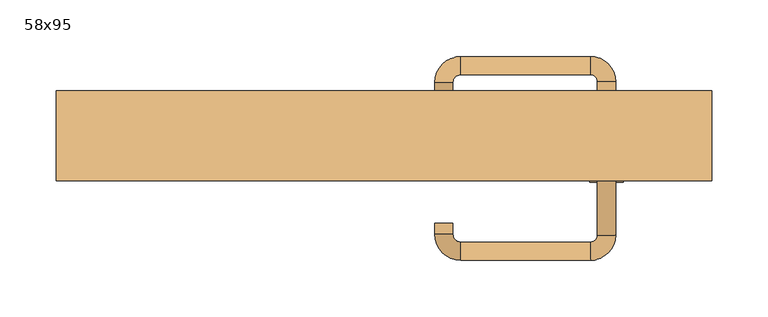
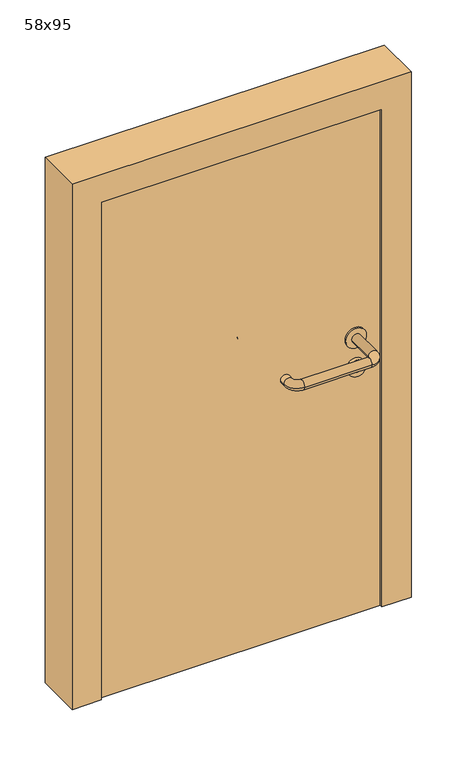
"""IFC4 building model written with IfcOpenShell, lengths in millimetres: door geometry, 58x95."""

import ifcopenshell
import ifcopenshell.guid

model = None  # the IFC model being written
_history = None  # IfcOwnerHistory: only IFC2X3 demands one
_inside = {}  # id of a spatial element -> (the spatial element, [elements in it])
_under = {}  # id of a project, library or spatial element -> (it, [spatial elements below it])
_declared = {}  # id of a project -> (the project, [libraries it declares])
_typed = {}  # id of a type object -> (the type object, [elements of that type])
_made_of = {}  # id of a material, layer set ... -> (it, [elements and type objects made of it])


def new_model(schema):
    """Start an empty IFC model of exactly this schema.

    Asked for "IFC4X3", IfcOpenShell would pick the latest addendum, in which some entities
    have other attributes; the version numbers below select the first issue.
    IFC2X3 requires an IfcOwnerHistory on every rooted entity: one is made here for all.
    """
    global model, _history
    if schema == "IFC4X3":
        model = ifcopenshell.file(schema_version=(4, 3, 0, 0))
    else:
        model = ifcopenshell.file(schema=schema)
    _inside.clear()
    _under.clear()
    _declared.clear()
    _typed.clear()
    _made_of.clear()
    _history = None
    if model.schema == "IFC2X3":
        org = make("IfcOrganization", Name="unknown")
        user = make(
            "IfcPersonAndOrganization",
            ThePerson=make("IfcPerson", FamilyName="unknown"),
            TheOrganization=org,
        )
        app = make(
            "IfcApplication",
            ApplicationDeveloper=org,
            Version="unknown",
            ApplicationFullName="unknown",
            ApplicationIdentifier="unknown",
        )
        _history = make(
            "IfcOwnerHistory",
            OwningUser=user,
            OwningApplication=app,
            ChangeAction="ADDED",
            CreationDate=0,
        )
    return model


def make(cls, **values):
    """One entity of the class cls with the attributes given. An attribute that is None is left unset."""
    return model.create_entity(
        cls, **{name: value for name, value in values.items() if value is not None}
    )


def rooted(cls, **values):
    """An entity with a GlobalId (a new one), such as an element, a storey or a relation."""
    return make(cls, GlobalId=ifcopenshell.guid.new(), OwnerHistory=_history, **values)


def si_unit(unit_type, name, prefix=None):
    """IfcSIUnit, for example si_unit("LENGTHUNIT", "METRE", prefix="MILLI")."""
    return make("IfcSIUnit", UnitType=unit_type, Prefix=prefix, Name=name)


def assignment(units):
    """IfcUnitAssignment: the units of a project."""
    return None if units is None else make("IfcUnitAssignment", Units=units)


def point(xyz):
    """IfcCartesianPoint."""
    return None if xyz is None else make("IfcCartesianPoint", Coordinates=xyz)


def direction(xyz):
    """IfcDirection."""
    return None if xyz is None else make("IfcDirection", DirectionRatios=xyz)


def frame(location, z_axis=None, x_axis=None):
    """IfcAxis2Placement3D, a coordinate frame: its origin and axes. An axis left out is left unset."""
    return make(
        "IfcAxis2Placement3D",
        Location=point(location),
        Axis=direction(z_axis),
        RefDirection=direction(x_axis),
    )


def frame_2d(location, x_axis=None):
    """IfcAxis2Placement2D, a coordinate frame in the plane: its origin and x axis."""
    return make(
        "IfcAxis2Placement2D", Location=point(location), RefDirection=direction(x_axis)
    )


def origin():
    """The frame at (0, 0, 0) with its axes left unset."""
    return frame((0.0, 0.0, 0.0))


def origin_with_axes():
    """The frame at (0, 0, 0) with the z axis (0, 0, 1) and the x axis (1, 0, 0) written out."""
    return frame((0.0, 0.0, 0.0), z_axis=(0.0, 0.0, 1.0), x_axis=(1.0, 0.0, 0.0))


def place(relative_to, where):
    """IfcLocalPlacement: puts the frame where relative to a parent placement (None: the world)."""
    return make(
        "IfcLocalPlacement", PlacementRelTo=relative_to, RelativePlacement=where
    )


def context(
    kind, dimensions, precision=None, world=None, true_north=None, identifier=None
):
    """IfcGeometricRepresentationContext, for example the 3D "Model" context."""
    return make(
        "IfcGeometricRepresentationContext",
        ContextIdentifier=identifier,
        ContextType=kind,
        CoordinateSpaceDimension=dimensions,
        Precision=precision,
        WorldCoordinateSystem=world,
        TrueNorth=true_north,
    )


def project(units=None, contexts=None):
    """IfcProject with its units and contexts."""
    return rooted(
        "IfcProject",
        Name="project",
        RepresentationContexts=contexts,
        UnitsInContext=assignment(units),
    )


def spatial(cls, under=None, at=None, **own):
    """A site, building, storey or space (cls), placed at a placement, below another one or the project."""
    s = rooted(cls, ObjectPlacement=at, **own)
    if under is not None:
        _under.setdefault(under.id(), (under, []))[1].append(s)
    return s


def polyline(points):
    """IfcPolyline through the points."""
    return make("IfcPolyline", Points=[point(p) for p in points])


def circle_curve(where, radius):
    """IfcCircle in the frame where."""
    return make("IfcCircle", Position=where, Radius=radius)


def ellipse_curve(where, semi_axis1, semi_axis2):
    """IfcEllipse in the frame where."""
    return make(
        "IfcEllipse", Position=where, SemiAxis1=semi_axis1, SemiAxis2=semi_axis2
    )


def trimmed(basis, trim1, trim2, sense, master):
    """IfcTrimmedCurve: the piece of a basis curve between two trims."""
    return make(
        "IfcTrimmedCurve",
        BasisCurve=basis,
        Trim1=trim1,
        Trim2=trim2,
        SenseAgreement=sense,
        MasterRepresentation=master,
    )


def segment(curve, same_sense, transition):
    """IfcCompositeCurveSegment."""
    return make(
        "IfcCompositeCurveSegment",
        Transition=transition,
        SameSense=same_sense,
        ParentCurve=curve,
    )


def composite_curve(segments, self_intersect=None):
    """IfcCompositeCurve: segments joined end to end."""
    return make("IfcCompositeCurve", Segments=segments, SelfIntersect=self_intersect)


def outline(outer, holes=None, kind="AREA"):
    """IfcArbitraryClosedProfileDef: a profile drawn as a closed curve; with holes, ...WithVoids."""
    if holes is None:
        return make("IfcArbitraryClosedProfileDef", ProfileType=kind, OuterCurve=outer)
    return make(
        "IfcArbitraryProfileDefWithVoids",
        ProfileType=kind,
        OuterCurve=outer,
        InnerCurves=holes,
    )


def extrude(swept, where, along, depth):
    """IfcExtrudedAreaSolid: the profile swept, set in the frame where, extruded along a direction by depth."""
    return make(
        "IfcExtrudedAreaSolid",
        SweptArea=swept,
        Position=where,
        ExtrudedDirection=direction(along),
        Depth=depth,
    )


def shape(context_of_items, identifier, shape_type, items):
    """IfcShapeRepresentation: the items that make up one representation, for example the "Body"."""
    return make(
        "IfcShapeRepresentation",
        ContextOfItems=context_of_items,
        RepresentationIdentifier=identifier,
        RepresentationType=shape_type,
        Items=items,
    )


def source(mapping_origin, context_of_items, identifier, shape_type, items):
    """IfcRepresentationMap: a shape defined once, which mapped items show again and again."""
    return make(
        "IfcRepresentationMap",
        MappingOrigin=mapping_origin,
        MappedRepresentation=shape(context_of_items, identifier, shape_type, items),
    )


def transform(
    local_origin,
    x_axis=None,
    y_axis=None,
    z_axis=None,
    scale=None,
    scale2=None,
    scale3=None,
    uniform=True,
):
    """IfcCartesianTransformationOperator3D, or its non-uniform kind. x_axis, y_axis, z_axis: its Axis1, 2, 3."""
    if uniform:
        return make(
            "IfcCartesianTransformationOperator3D",
            Axis1=direction(x_axis),
            Axis2=direction(y_axis),
            LocalOrigin=point(local_origin),
            Scale=scale,
            Axis3=direction(z_axis),
        )
    return make(
        "IfcCartesianTransformationOperator3DnonUniform",
        Axis1=direction(x_axis),
        Axis2=direction(y_axis),
        LocalOrigin=point(local_origin),
        Scale=scale,
        Axis3=direction(z_axis),
        Scale2=scale2,
        Scale3=scale3,
    )


def mapped(mapping_source, mapping_target):
    """IfcMappedItem: shows the shape of a source again, moved by a transform."""
    return make(
        "IfcMappedItem", MappingSource=mapping_source, MappingTarget=mapping_target
    )


def made_of(thing, what):
    """Note that an element or type object is made of a material, layer set ...; save() writes the relation."""
    if what is not None:
        _made_of.setdefault(what.id(), (what, []))[1].append(thing)
    return thing


def element(
    cls,
    number,
    at=None,
    inside=None,
    cuts=None,
    type_object=None,
    material=None,
    context=None,
    identifier="Body",
    shape_type=None,
    held_by="IfcProductDefinitionShape",
    body=None,
    shapes=None,
    **own,
):
    """One element of the class cls, such as IfcWall. Its Tag is "e" and its number.

    at: its placement. inside: the storey or other place that contains it. cuts: it is an
    opening in that element (IfcRelVoidsElement). A single representation is given by context,
    identifier, shape_type and body (its items); several are given by shapes. held_by: the class
    of the entity that holds the representations. save() writes the other relations.
    """
    e = rooted(cls, Tag="e%d" % number, ObjectPlacement=at, **own)
    if body is not None:
        shapes = [shape(context, identifier, shape_type, body)]
    if shapes is not None:
        e.Representation = make(held_by, Representations=shapes)
    if inside is not None:
        _inside.setdefault(inside.id(), (inside, []))[1].append(e)
    if cuts is not None:
        rooted(
            "IfcRelVoidsElement", RelatingBuildingElement=cuts, RelatedOpeningElement=e
        )
    if type_object is not None:
        _typed.setdefault(type_object.id(), (type_object, []))[1].append(e)
    return made_of(e, material)


def aggregate(whole, parts):
    """IfcRelAggregates: a whole, such as a stair, and the parts it consists of."""
    return rooted("IfcRelAggregates", RelatingObject=whole, RelatedObjects=parts)


def save(model, path):
    """Write the relations noted so far, then the file.

    IfcRelAggregates (storeys below a building ...), IfcRelContainedInSpatialStructure (elements
    in a storey), IfcRelDefinesByType, IfcRelAssociatesMaterial and IfcRelDeclares: one each for
    every whole, place, type object, material and project.
    """
    for whole, parts in _under.values():
        aggregate(whole, parts)
    for where, things in _inside.values():
        rooted(
            "IfcRelContainedInSpatialStructure",
            RelatedElements=things,
            RelatingStructure=where,
        )
    for kind, things in _typed.values():
        rooted("IfcRelDefinesByType", RelatedObjects=things, RelatingType=kind)
    for what, things in _made_of.values():
        rooted("IfcRelAssociatesMaterial", RelatedObjects=things, RelatingMaterial=what)
    for by, libraries in _declared.values():
        rooted("IfcRelDeclares", RelatingContext=by, RelatedDefinitions=libraries)
    model.write(path)


def plane_surface(at):
    """IfcPlane: the flat surface through the origin of the frame at, square to its z axis."""
    return make("IfcPlane", Position=at)


def cylinder_surface(at, radius):
    """IfcCylindricalSurface: all points at the distance radius from the z axis of the frame at."""
    return make("IfcCylindricalSurface", Position=at, Radius=radius)


def revolved_surface(curve, axis_point, axis_direction):
    """IfcSurfaceOfRevolution: the curve turned about the line through axis_point along axis_direction."""
    return make(
        "IfcSurfaceOfRevolution",
        SweptCurve=make("IfcArbitraryOpenProfileDef", ProfileType="CURVE", Curve=curve),
        AxisPosition=make("IfcAxis1Placement", Location=point(axis_point), Axis=direction(axis_direction)),
    )


def advanced_brep(points, edges, surfaces, faces):
    """IfcAdvancedBrep: a solid bounded by faces that lie on surfaces and meet in shared edges.

    An edge is (start, end): straight between two places in points (the first is 0);
    or (start, end, curve); or (start, end, curve, False) where it runs against its curve.
    A face is (place in surfaces, loops), or (place, loops, False) where it looks against
    its surface's normal. A loop lists edges by number (the first is 1), with a minus sign
    where the edge is run from its end to its start. The first loop is the outer one.
    """
    corners = [point(p) for p in points]
    vertices = [make("IfcVertexPoint", VertexGeometry=c) for c in corners]
    made = []
    for start, end, *more in edges:
        made.append(
            make(
                "IfcEdgeCurve",
                EdgeStart=vertices[start],
                EdgeEnd=vertices[end],
                EdgeGeometry=more[0] if more else make("IfcPolyline", Points=[corners[start], corners[end]]),
                SameSense=more[1] if len(more) > 1 else True,
            )
        )
    hull = []
    for where, loops, *sense in faces:
        bounds = []
        for j, loop in enumerate(loops):
            ring = [make("IfcOrientedEdge", EdgeElement=made[abs(k) - 1], Orientation=k > 0) for k in loop]
            bounds.append(
                make(
                    "IfcFaceOuterBound" if j == 0 else "IfcFaceBound",
                    Bound=make("IfcEdgeLoop", EdgeList=ring),
                    Orientation=True,
                )
            )
        hull.append(make("IfcAdvancedFace", Bounds=bounds, FaceSurface=surfaces[where], SameSense=sense[0] if sense else True))
    return make("IfcAdvancedBrep", Outer=make("IfcClosedShell", CfsFaces=hull))


def door_58x95_5813d46e(model_context):
    return source(origin(), model_context, "Body", "SolidModel", [
        extrude(outline(composite_curve([segment(trimmed(circle_curve(frame_2d((447.3605726, 197.0)), 15.0), [point((447.3605726, 212.0))], [point((447.3605726, 182.0))], False, "CARTESIAN"), True, "CONTINUOUS"), segment(trimmed(circle_curve(frame_2d((447.3605726, 197.0)), 15.0), [point((447.3605726, 182.0))], [point((447.3605726, 212.0))], False, "CARTESIAN"), True, "CONTINUOUS")], self_intersect=False), holes=[composite_curve([segment(trimmed(circle_curve(frame_2d((442.5833211, 196.9398032)), 2.0), [point((442.5833211, 198.9398032))], [point((442.5833211, 194.9398032))], True, "CARTESIAN"), True, "CONTINUOUS"), segment(polyline([(442.5833211, 194.9398032), (452.5833211, 194.9398032)]), True, "CONTINUOUS"), segment(trimmed(circle_curve(frame_2d((452.5833211, 196.9398032)), 2.0), [point((452.5833211, 194.9398032))], [point((452.5833211, 198.9398032))], True, "CARTESIAN"), True, "CONTINUOUS"), segment(polyline([(452.5833211, 198.9398032), (442.5833211, 198.9398032)]), True, "CONTINUOUS")], self_intersect=False)]), frame((0.0, -65.0, 0.0), z_axis=(0.0, 1.0, 0.0), x_axis=(0.0, 0.0, 1.0)), (0.0, 0.0, 1.0), 6.35),
        extrude(outline(composite_curve([segment(trimmed(circle_curve(frame_2d((500.0, 197.0)), 17.526), [point((500.0, 214.526))], [point((500.0, 179.474))], False, "CARTESIAN"), True, "CONTINUOUS"), segment(trimmed(circle_curve(frame_2d((500.0, 197.0)), 17.526), [point((500.0, 179.474))], [point((500.0, 214.526))], False, "CARTESIAN"), True, "CONTINUOUS")], self_intersect=False)), frame((0.0, -65.0, 0.0), z_axis=(0.0, 1.0, 0.0), x_axis=(0.0, 0.0, 1.0)), (0.0, 0.0, 1.0), 3.175),
        advanced_brep(
        [(205.0, -65.0, 500.0), (189.0, -65.0, 500.0), (205.0, -12.0, 500.0), (189.0, -12.0, 500.0), (182.8578644, -5.8578644, 500.0), (182.8578644, 10.1421356, 500.0), (67.8578644, 10.1421356, 500.0), (67.8578644, -5.8578644, 500.0), (61.008622, -12.7071068, 500.0), (45.008622, -12.7071068, 500.0), (45.008622, -22.7071068, 500.0), (61.008622, -22.7071068, 500.0)],
        [
            (0, 1, circle_curve(frame((197.0, -65.0, 500.0), z_axis=(0.0, -1.0, 0.0), x_axis=(-1.0, 0.0, 0.0)), 8.0)),
            (1, 0, circle_curve(frame((197.0, -65.0, 500.0), z_axis=(0.0, -1.0, 0.0), x_axis=(-1.0, 0.0, 0.0)), 8.0)),
            (0, 2),
            (2, 3, circle_curve(frame((197.0, -12.0, 500.0), z_axis=(0.0, -1.0, 0.0), x_axis=(-1.0, 0.0, 0.0)), 8.0)),
            (3, 1),
            (3, 2, circle_curve(frame((197.0, -12.0, 500.0), z_axis=(0.0, -1.0, 0.0), x_axis=(-1.0, 0.0, 0.0)), 8.0)),
            (4, 3, circle_curve(frame((182.8578644, -12.0, 500.0), z_axis=(0.0, 0.0, -1.0), x_axis=(1.0, 0.0, 0.0)), 6.1421356)),
            (2, 5, circle_curve(frame((182.8578644, -12.0, 500.0), z_axis=(0.0, 0.0, 1.0), x_axis=(1.0, 0.0, 0.0)), 22.1421356)),
            (5, 4, circle_curve(frame((182.8578644, 2.1421356, 500.0), z_axis=(1.0, 0.0, 0.0), x_axis=(0.0, -1.0, 0.0)), 8.0)),
            (4, 5, circle_curve(frame((182.8578644, 2.1421356, 500.0), z_axis=(1.0, 0.0, 0.0), x_axis=(0.0, -1.0, 0.0)), 8.0)),
            (5, 6),
            (6, 7, circle_curve(frame((67.8578644, 2.1421356, 500.0), z_axis=(1.0, 0.0, 0.0), x_axis=(0.0, -1.0, 0.0)), 8.0)),
            (7, 4),
            (7, 6, circle_curve(frame((67.8578644, 2.1421356, 500.0), z_axis=(1.0, 0.0, 0.0), x_axis=(0.0, -1.0, 0.0)), 8.0)),
            (8, 7, circle_curve(frame((67.8578644, -12.7071068, 500.0), z_axis=(0.0, 0.0, -1.0), x_axis=(0.0, 1.0, 0.0)), 6.8492424)),
            (6, 9, circle_curve(frame((67.8578644, -12.7071068, 500.0), z_axis=(0.0, 0.0, 1.0), x_axis=(0.0, 1.0, 0.0)), 22.8492424)),
            (9, 8, circle_curve(frame((53.008622, -12.7071068, 500.0), z_axis=(0.0, 1.0, 0.0), x_axis=(1.0, 0.0, 0.0)), 8.0)),
            (8, 9, circle_curve(frame((53.008622, -12.7071068, 500.0), z_axis=(0.0, 1.0, 0.0), x_axis=(1.0, 0.0, 0.0)), 8.0)),
            (10, 11, circle_curve(frame((53.008622, -22.7071068, 500.0), z_axis=(0.0, -1.0, 0.0), x_axis=(1.0, 0.0, 0.0)), 8.0)),
            (11, 10, circle_curve(frame((53.008622, -22.7071068, 500.0), z_axis=(0.0, -1.0, 0.0), x_axis=(1.0, 0.0, 0.0)), 8.0)),
            (9, 10),
            (11, 8),
        ],
        [
            plane_surface(frame((197.0, -65.0, 0.0), z_axis=(0.0, -1.0, 0.0), x_axis=(0.0, 0.0, 1.0))),
            cylinder_surface(frame((197.0, -65.0, 500.0), z_axis=(0.0, -1.0, 0.0), x_axis=(-1.0, 0.0, 0.0)), 8.0),
            revolved_surface(trimmed(ellipse_curve(frame((197.0, -12.0, 500.0), z_axis=(0.0, -1.0, 0.0), x_axis=(-1.0, 0.0, 0.0)), 8.0, 8.0), [point((205.0, -12.0, 500.0))], [point((189.0, -12.0, 500.0))], True, "CARTESIAN"), (182.8578644, -12.0, 0.0), (0.0, 0.0, 1.0)),
            revolved_surface(trimmed(ellipse_curve(frame((197.0, -12.0, 500.0), z_axis=(0.0, -1.0, 0.0), x_axis=(-1.0, 0.0, 0.0)), 8.0, 8.0), [point((189.0, -12.0, 500.0))], [point((205.0, -12.0, 500.0))], True, "CARTESIAN"), (182.8578644, -12.0, 0.0), (0.0, 0.0, 1.0)),
            cylinder_surface(frame((182.8578644, 2.1421356, 500.0), z_axis=(1.0, 0.0, 0.0), x_axis=(0.0, -1.0, 0.0)), 8.0),
            revolved_surface(trimmed(ellipse_curve(frame((67.8578644, 2.1421356, 500.0), z_axis=(1.0, 0.0, 0.0), x_axis=(0.0, -1.0, 0.0)), 8.0, 8.0), [point((67.8578644, 10.1421356, 500.0))], [point((67.8578644, -5.8578644, 500.0))], True, "CARTESIAN"), (67.8578644, -12.7071068, 0.0), (0.0, 0.0, 1.0)),
            revolved_surface(trimmed(ellipse_curve(frame((67.8578644, 2.1421356, 500.0), z_axis=(1.0, 0.0, 0.0), x_axis=(0.0, -1.0, 0.0)), 8.0, 8.0), [point((67.8578644, -5.8578644, 500.0))], [point((67.8578644, 10.1421356, 500.0))], True, "CARTESIAN"), (67.8578644, -12.7071068, 0.0), (0.0, 0.0, 1.0)),
            plane_surface(frame((53.008622, -22.7071068, 0.0), z_axis=(0.0, -1.0, 0.0), x_axis=(0.0, 0.0, 1.0))),
            cylinder_surface(frame((53.008622, -12.7071068, 500.0), z_axis=(0.0, 1.0, 0.0), x_axis=(1.0, 0.0, 0.0)), 8.0),
        ],
        [
            (0, [[1, 2]]),
            (1, [[-1, 3, 4, 5]]),
            (1, [[-2, -5, 6, -3]]),
            (2, [[7, -4, 8, 9]]),
            (3, [[-8, -6, -7, 10]]),
            (4, [[-9, 11, 12, 13]]),
            (4, [[-10, -13, 14, -11]]),
            (5, [[15, -12, 16, 17]]),
            (6, [[-16, -14, -15, 18]]),
            (7, [[19, 20]]),
            (8, [[-17, 21, -20, 22]]),
            (8, [[-18, -22, -19, -21]]),
        ],
    ),
        extrude(outline(composite_curve([segment(trimmed(circle_curve(frame_2d((0.0, 15.0)), 15.0), [point((0.0, 30.0))], [point((0.0, 0.0))], False, "CARTESIAN"), True, "CONTINUOUS"), segment(trimmed(circle_curve(frame_2d((0.0, 15.0)), 15.0), [point((0.0, 0.0))], [point((0.0, 30.0))], False, "CARTESIAN"), True, "CONTINUOUS")], self_intersect=False), holes=[composite_curve([segment(trimmed(circle_curve(frame_2d((-4.7772515, 14.9398032)), 2.0), [point((-4.7772515, 16.9398032))], [point((-4.7772515, 12.9398032))], True, "CARTESIAN"), True, "CONTINUOUS"), segment(polyline([(-4.7772515, 12.9398032), (5.2227485, 12.9398032)]), True, "CONTINUOUS"), segment(trimmed(circle_curve(frame_2d((5.2227485, 14.9398032)), 2.0), [point((5.2227485, 12.9398032))], [point((5.2227485, 16.9398032))], True, "CARTESIAN"), True, "CONTINUOUS"), segment(polyline([(5.2227485, 16.9398032), (-4.7772515, 16.9398032)]), True, "CONTINUOUS")], self_intersect=False)]), frame((182.0, -101.35, 447.3605726), z_axis=(-1.8870575173328306e-12, 1.0, 0.0), x_axis=(0.0, 0.0, 1.0)), (0.0, 0.0, 1.0), 6.35),
        extrude(outline(composite_curve([segment(trimmed(circle_curve(frame_2d((0.0, 17.526)), 17.526), [point((0.0, 35.052))], [point((0.0, 0.0))], False, "CARTESIAN"), True, "CONTINUOUS"), segment(trimmed(circle_curve(frame_2d((0.0, 17.526)), 17.526), [point((0.0, 0.0))], [point((0.0, 35.052))], False, "CARTESIAN"), True, "CONTINUOUS")], self_intersect=False)), frame((179.474, -98.175, 500.0), z_axis=(-1.8870575173328306e-12, 1.0, 0.0), x_axis=(0.0, 0.0, 1.0)), (0.0, 0.0, 1.0), 3.175),
        advanced_brep(
        [(205.0, -95.0, 500.0), (189.0, -95.0, 500.0), (189.0, -148.0, 500.0), (205.0, -148.0, 500.0), (182.8578644, -154.1421356, 500.0), (182.8578644, -170.1421356, 500.0), (67.8578644, -154.1421356, 500.0), (67.8578644, -170.1421356, 500.0), (61.008622, -147.2928932, 500.0), (45.008622, -147.2928932, 500.0), (45.008622, -137.2928932, 500.0), (61.008622, -137.2928932, 500.0)],
        [
            (0, 1, circle_curve(frame((197.0, -95.0, 500.0), z_axis=(-1.888672253512351e-12, 1.0, 0.0), x_axis=(-1.0, -1.888672253512351e-12, 0.0)), 8.0)),
            (1, 0, circle_curve(frame((197.0, -95.0, 500.0), z_axis=(-1.888672253512351e-12, 1.0, 0.0), x_axis=(-1.0, -1.888672253512351e-12, 0.0)), 8.0)),
            (1, 2),
            (2, 3, circle_curve(frame((197.0, -148.0, 500.0), z_axis=(-1.888672253512351e-12, 1.0, 0.0), x_axis=(-1.0, -1.888672253512351e-12, 0.0)), 8.0)),
            (3, 0),
            (3, 2, circle_curve(frame((197.0, -148.0, 500.0), z_axis=(-1.888672253512351e-12, 1.0, 0.0), x_axis=(-1.0, -1.888672253512351e-12, 0.0)), 8.0)),
            (4, 5, circle_curve(frame((182.8578644, -162.1421356, 500.0), z_axis=(1.0, 1.913702061528922e-12, 0.0), x_axis=(-1.913702061528922e-12, 1.0, 0.0)), 8.0)),
            (5, 3, circle_curve(frame((182.8578644, -148.0, 500.0), z_axis=(0.0, 0.0, 1.0), x_axis=(1.0, 1.880717803715015e-12, 0.0)), 22.1421356)),
            (2, 4, circle_curve(frame((182.8578644, -148.0, 500.0), z_axis=(0.0, 0.0, -1.0), x_axis=(1.0, 1.880717803715015e-12, 0.0)), 6.1421356)),
            (5, 4, circle_curve(frame((182.8578644, -162.1421356, 500.0), z_axis=(1.0, 1.913702061528922e-12, 0.0), x_axis=(-1.913702061528922e-12, 1.0, 0.0)), 8.0)),
            (4, 6),
            (6, 7, circle_curve(frame((67.8578644, -162.1421356, 500.0), z_axis=(1.0, 1.913719828541269e-12, 0.0), x_axis=(-1.913719828541269e-12, 1.0, 0.0)), 8.0)),
            (7, 5),
            (7, 6, circle_curve(frame((67.8578644, -162.1421356, 500.0), z_axis=(1.0, 1.913719828541269e-12, 0.0), x_axis=(-1.913719828541269e-12, 1.0, 0.0)), 8.0)),
            (8, 9, circle_curve(frame((53.008622, -147.2928932, 500.0), z_axis=(1.8888942981172756e-12, -1.0, 0.0), x_axis=(1.0, 1.8888942981172756e-12, 0.0)), 8.0)),
            (9, 7, circle_curve(frame((67.8578644, -147.2928932, 500.0), z_axis=(0.0, 0.0, 1.0), x_axis=(1.9120873253494017e-12, -1.0, 0.0)), 22.8492424)),
            (6, 8, circle_curve(frame((67.8578644, -147.2928932, 500.0), z_axis=(0.0, 0.0, -1.0), x_axis=(1.9120873253494017e-12, -1.0, 0.0)), 6.8492424)),
            (9, 8, circle_curve(frame((53.008622, -147.2928932, 500.0), z_axis=(1.890448610351751e-12, -1.0, 0.0), x_axis=(1.0, 1.890448610351751e-12, 0.0)), 8.0)),
            (10, 11, circle_curve(frame((53.008622, -137.2928932, 500.0), z_axis=(-1.8903642334018795e-12, 1.0, 0.0), x_axis=(1.0, 1.8903642334018795e-12, 0.0)), 8.0)),
            (11, 10, circle_curve(frame((53.008622, -137.2928932, 500.0), z_axis=(-1.8903642334018795e-12, 1.0, 0.0), x_axis=(1.0, 1.8903642334018795e-12, 0.0)), 8.0)),
            (8, 11),
            (10, 9),
        ],
        [
            plane_surface(frame((197.0, -95.0, 0.0), z_axis=(-1.8870575173328306e-12, 1.0, 0.0), x_axis=(0.0, 0.0, 1.0))),
            cylinder_surface(frame((197.0, -95.0, 500.0), z_axis=(-1.888672253512351e-12, 1.0, 0.0), x_axis=(-1.0, -1.888672253512351e-12, 0.0)), 8.0),
            revolved_surface(trimmed(ellipse_curve(frame((197.0, -148.0, 500.0), z_axis=(1.8823325398945356e-12, -1.0, 0.0), x_axis=(-1.0, -1.8823325398945356e-12, 0.0)), 8.0, 8.0), [point((205.0, -148.0, 500.0))], [point((189.0, -148.0, 500.0))], True, "CARTESIAN"), (182.8578644, -148.0, 0.0), (0.0, 0.0, 1.0)),
            revolved_surface(trimmed(ellipse_curve(frame((197.0, -148.0, 500.0), z_axis=(1.8823325398945356e-12, -1.0, 0.0), x_axis=(-1.0, -1.8823325398945356e-12, 0.0)), 8.0, 8.0), [point((189.0, -148.0, 500.0))], [point((205.0, -148.0, 500.0))], True, "CARTESIAN"), (182.8578644, -148.0, 0.0), (0.0, 0.0, 1.0)),
            cylinder_surface(frame((182.8578644, -162.1421356, 500.0), z_axis=(1.0, 1.913719828541269e-12, 0.0), x_axis=(-1.913719828541269e-12, 1.0, 0.0)), 8.0),
            revolved_surface(trimmed(ellipse_curve(frame((67.8578644, -162.1421356, 500.0), z_axis=(-1.0, -1.913702061528922e-12, 0.0), x_axis=(-1.913702061528922e-12, 1.0, 0.0)), 8.0, 8.0), [point((67.8578644, -170.1421356, 500.0))], [point((67.8578644, -154.1421356, 500.0))], True, "CARTESIAN"), (67.8578644, -147.2928932, 0.0), (0.0, 0.0, 1.0)),
            revolved_surface(trimmed(ellipse_curve(frame((67.8578644, -162.1421356, 500.0), z_axis=(-1.0, -1.913702061528922e-12, 0.0), x_axis=(-1.913702061528922e-12, 1.0, 0.0)), 8.0, 8.0), [point((67.8578644, -154.1421356, 500.0))], [point((67.8578644, -170.1421356, 500.0))], True, "CARTESIAN"), (67.8578644, -147.2928932, 0.0), (0.0, 0.0, 1.0)),
            plane_surface(frame((53.008622, -137.2928932, 0.0), z_axis=(-1.8887494972223595e-12, 1.0, 0.0), x_axis=(0.0, 0.0, 1.0))),
            cylinder_surface(frame((53.008622, -147.2928932, 500.0), z_axis=(1.8903642334018795e-12, -1.0, 0.0), x_axis=(1.0, 1.8903642334018795e-12, 0.0)), 8.0),
        ],
        [
            (0, [[1, 2]]),
            (1, [[3, 4, 5, -2]]),
            (1, [[-5, 6, -3, -1]]),
            (2, [[7, 8, -4, 9]]),
            (3, [[10, -9, -6, -8]]),
            (4, [[11, 12, 13, -7]]),
            (4, [[-13, 14, -11, -10]]),
            (5, [[15, 16, -12, 17]]),
            (6, [[18, -17, -14, -16]]),
            (7, [[19, 20]]),
            (8, [[21, -19, 22, -15]]),
            (8, [[-22, -20, -21, -18]]),
        ],
    ),
        extrude(outline(polyline([(900.0, 240.0), (0.0, 240.0), (0.0, 290.0), (950.0, 290.0), (950.0, -290.0), (0.0, -290.0), (0.0, -240.0), (900.0, -240.0), (900.0, 240.0)])), frame((0.0, -100.0, 0.0), z_axis=(0.0, 1.0, 0.0), x_axis=(0.0, 0.0, 1.0)), (0.0, 0.0, 1.0), 80.0),
        extrude(outline(polyline([(-240.0, -95.0), (-240.0, -65.0), (240.0, -65.0), (240.0, -95.0), (-240.0, -95.0)])), origin_with_axes(), (0.0, 0.0, 1.0), 900.0),
    ])


if __name__ == "__main__":
    model = new_model("IFC4")
    model_context = context("Model", 3, world=origin())
    ifc_project = project(units=[si_unit("LENGTHUNIT", "METRE", prefix="MILLI")], contexts=[model_context])
    site = spatial("IfcSite", under=ifc_project)
    building = spatial("IfcBuilding", under=site)
    placement = place(None, origin())
    door_58x95_shape = door_58x95_5813d46e(model_context)
    element("IfcDoor", 1, ObjectType="58x95", at=placement, inside=building, context=model_context, shape_type="MappedRepresentation", body=[
        mapped(door_58x95_shape, transform((0.0, 0.0, 0.0), x_axis=(1.0, 0.0, 0.0), y_axis=(0.0, 1.0, 0.0), z_axis=(0.0, 0.0, 1.0))),
    ])
    save(model, "model.ifc")
